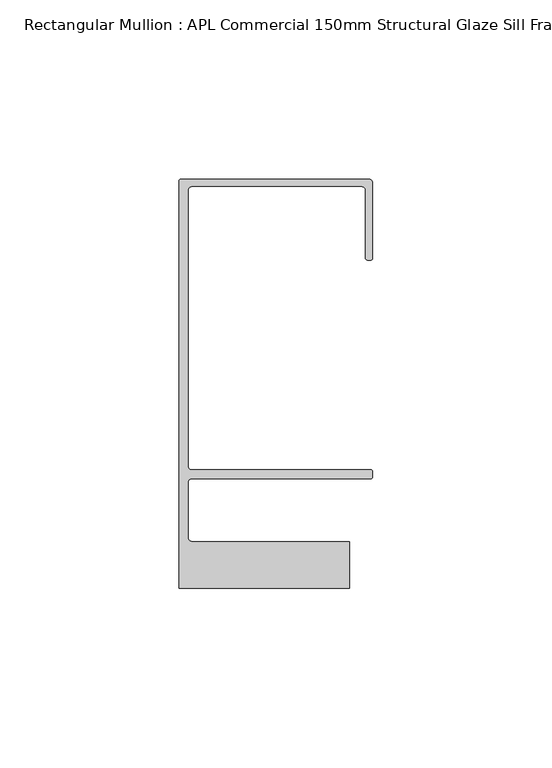
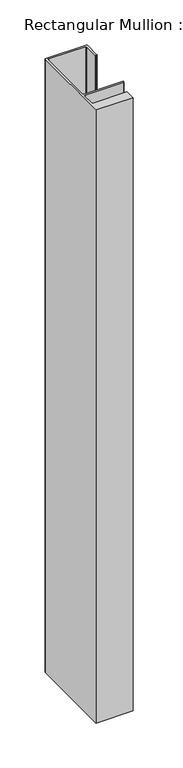
"""IFC4 building model written with IfcOpenShell, lengths in millimetres: member geometry, Rectangular Mullion : APL Commercial 150mm Structural Glaze Sill Frame (Back)."""

import ifcopenshell
import ifcopenshell.guid

model = None  # the IFC model being written
_history = None  # IfcOwnerHistory: only IFC2X3 demands one
_inside = {}  # id of a spatial element -> (the spatial element, [elements in it])
_under = {}  # id of a project, library or spatial element -> (it, [spatial elements below it])
_declared = {}  # id of a project -> (the project, [libraries it declares])
_typed = {}  # id of a type object -> (the type object, [elements of that type])
_made_of = {}  # id of a material, layer set ... -> (it, [elements and type objects made of it])


def new_model(schema):
    """Start an empty IFC model of exactly this schema.

    Asked for "IFC4X3", IfcOpenShell would pick the latest addendum, in which some entities
    have other attributes; the version numbers below select the first issue.
    IFC2X3 requires an IfcOwnerHistory on every rooted entity: one is made here for all.
    """
    global model, _history
    if schema == "IFC4X3":
        model = ifcopenshell.file(schema_version=(4, 3, 0, 0))
    else:
        model = ifcopenshell.file(schema=schema)
    _inside.clear()
    _under.clear()
    _declared.clear()
    _typed.clear()
    _made_of.clear()
    _history = None
    if model.schema == "IFC2X3":
        org = make("IfcOrganization", Name="unknown")
        user = make(
            "IfcPersonAndOrganization",
            ThePerson=make("IfcPerson", FamilyName="unknown"),
            TheOrganization=org,
        )
        app = make(
            "IfcApplication",
            ApplicationDeveloper=org,
            Version="unknown",
            ApplicationFullName="unknown",
            ApplicationIdentifier="unknown",
        )
        _history = make(
            "IfcOwnerHistory",
            OwningUser=user,
            OwningApplication=app,
            ChangeAction="ADDED",
            CreationDate=0,
        )
    return model


def make(cls, **values):
    """One entity of the class cls with the attributes given. An attribute that is None is left unset."""
    return model.create_entity(
        cls, **{name: value for name, value in values.items() if value is not None}
    )


def rooted(cls, **values):
    """An entity with a GlobalId (a new one), such as an element, a storey or a relation."""
    return make(cls, GlobalId=ifcopenshell.guid.new(), OwnerHistory=_history, **values)


def si_unit(unit_type, name, prefix=None):
    """IfcSIUnit, for example si_unit("LENGTHUNIT", "METRE", prefix="MILLI")."""
    return make("IfcSIUnit", UnitType=unit_type, Prefix=prefix, Name=name)


def assignment(units):
    """IfcUnitAssignment: the units of a project."""
    return None if units is None else make("IfcUnitAssignment", Units=units)


def point(xyz):
    """IfcCartesianPoint."""
    return None if xyz is None else make("IfcCartesianPoint", Coordinates=xyz)


def direction(xyz):
    """IfcDirection."""
    return None if xyz is None else make("IfcDirection", DirectionRatios=xyz)


def frame(location, z_axis=None, x_axis=None):
    """IfcAxis2Placement3D, a coordinate frame: its origin and axes. An axis left out is left unset."""
    return make(
        "IfcAxis2Placement3D",
        Location=point(location),
        Axis=direction(z_axis),
        RefDirection=direction(x_axis),
    )


def origin():
    """The frame at (0, 0, 0) with its axes left unset."""
    return frame((0.0, 0.0, 0.0))


def place(relative_to, where):
    """IfcLocalPlacement: puts the frame where relative to a parent placement (None: the world)."""
    return make(
        "IfcLocalPlacement", PlacementRelTo=relative_to, RelativePlacement=where
    )


def context(
    kind, dimensions, precision=None, world=None, true_north=None, identifier=None
):
    """IfcGeometricRepresentationContext, for example the 3D "Model" context."""
    return make(
        "IfcGeometricRepresentationContext",
        ContextIdentifier=identifier,
        ContextType=kind,
        CoordinateSpaceDimension=dimensions,
        Precision=precision,
        WorldCoordinateSystem=world,
        TrueNorth=true_north,
    )


def project(units=None, contexts=None):
    """IfcProject with its units and contexts."""
    return rooted(
        "IfcProject",
        Name="project",
        RepresentationContexts=contexts,
        UnitsInContext=assignment(units),
    )


def spatial(cls, under=None, at=None, **own):
    """A site, building, storey or space (cls), placed at a placement, below another one or the project."""
    s = rooted(cls, ObjectPlacement=at, **own)
    if under is not None:
        _under.setdefault(under.id(), (under, []))[1].append(s)
    return s


def polyline(points):
    """IfcPolyline through the points."""
    return make("IfcPolyline", Points=[point(p) for p in points])


def circle_curve(where, radius):
    """IfcCircle in the frame where."""
    return make("IfcCircle", Position=where, Radius=radius)


def shape(context_of_items, identifier, shape_type, items):
    """IfcShapeRepresentation: the items that make up one representation, for example the "Body"."""
    return make(
        "IfcShapeRepresentation",
        ContextOfItems=context_of_items,
        RepresentationIdentifier=identifier,
        RepresentationType=shape_type,
        Items=items,
    )


def source(mapping_origin, context_of_items, identifier, shape_type, items):
    """IfcRepresentationMap: a shape defined once, which mapped items show again and again."""
    return make(
        "IfcRepresentationMap",
        MappingOrigin=mapping_origin,
        MappedRepresentation=shape(context_of_items, identifier, shape_type, items),
    )


def transform(
    local_origin,
    x_axis=None,
    y_axis=None,
    z_axis=None,
    scale=None,
    scale2=None,
    scale3=None,
    uniform=True,
):
    """IfcCartesianTransformationOperator3D, or its non-uniform kind. x_axis, y_axis, z_axis: its Axis1, 2, 3."""
    if uniform:
        return make(
            "IfcCartesianTransformationOperator3D",
            Axis1=direction(x_axis),
            Axis2=direction(y_axis),
            LocalOrigin=point(local_origin),
            Scale=scale,
            Axis3=direction(z_axis),
        )
    return make(
        "IfcCartesianTransformationOperator3DnonUniform",
        Axis1=direction(x_axis),
        Axis2=direction(y_axis),
        LocalOrigin=point(local_origin),
        Scale=scale,
        Axis3=direction(z_axis),
        Scale2=scale2,
        Scale3=scale3,
    )


def mapped(mapping_source, mapping_target):
    """IfcMappedItem: shows the shape of a source again, moved by a transform."""
    return make(
        "IfcMappedItem", MappingSource=mapping_source, MappingTarget=mapping_target
    )


def made_of(thing, what):
    """Note that an element or type object is made of a material, layer set ...; save() writes the relation."""
    if what is not None:
        _made_of.setdefault(what.id(), (what, []))[1].append(thing)
    return thing


def element(
    cls,
    number,
    at=None,
    inside=None,
    cuts=None,
    type_object=None,
    material=None,
    context=None,
    identifier="Body",
    shape_type=None,
    held_by="IfcProductDefinitionShape",
    body=None,
    shapes=None,
    **own,
):
    """One element of the class cls, such as IfcWall. Its Tag is "e" and its number.

    at: its placement. inside: the storey or other place that contains it. cuts: it is an
    opening in that element (IfcRelVoidsElement). A single representation is given by context,
    identifier, shape_type and body (its items); several are given by shapes. held_by: the class
    of the entity that holds the representations. save() writes the other relations.
    """
    e = rooted(cls, Tag="e%d" % number, ObjectPlacement=at, **own)
    if body is not None:
        shapes = [shape(context, identifier, shape_type, body)]
    if shapes is not None:
        e.Representation = make(held_by, Representations=shapes)
    if inside is not None:
        _inside.setdefault(inside.id(), (inside, []))[1].append(e)
    if cuts is not None:
        rooted(
            "IfcRelVoidsElement", RelatingBuildingElement=cuts, RelatedOpeningElement=e
        )
    if type_object is not None:
        _typed.setdefault(type_object.id(), (type_object, []))[1].append(e)
    return made_of(e, material)


def aggregate(whole, parts):
    """IfcRelAggregates: a whole, such as a stair, and the parts it consists of."""
    return rooted("IfcRelAggregates", RelatingObject=whole, RelatedObjects=parts)


def save(model, path):
    """Write the relations noted so far, then the file.

    IfcRelAggregates (storeys below a building ...), IfcRelContainedInSpatialStructure (elements
    in a storey), IfcRelDefinesByType, IfcRelAssociatesMaterial and IfcRelDeclares: one each for
    every whole, place, type object, material and project.
    """
    for whole, parts in _under.values():
        aggregate(whole, parts)
    for where, things in _inside.values():
        rooted(
            "IfcRelContainedInSpatialStructure",
            RelatedElements=things,
            RelatingStructure=where,
        )
    for kind, things in _typed.values():
        rooted("IfcRelDefinesByType", RelatedObjects=things, RelatingType=kind)
    for what, things in _made_of.values():
        rooted("IfcRelAssociatesMaterial", RelatedObjects=things, RelatingMaterial=what)
    for by, libraries in _declared.values():
        rooted("IfcRelDeclares", RelatingContext=by, RelatedDefinitions=libraries)
    model.write(path)


def plane_surface(at):
    """IfcPlane: the flat surface through the origin of the frame at, square to its z axis."""
    return make("IfcPlane", Position=at)


def cylinder_surface(at, radius):
    """IfcCylindricalSurface: all points at the distance radius from the z axis of the frame at."""
    return make("IfcCylindricalSurface", Position=at, Radius=radius)


def revolved_surface(curve, axis_point, axis_direction):
    """IfcSurfaceOfRevolution: the curve turned about the line through axis_point along axis_direction."""
    return make(
        "IfcSurfaceOfRevolution",
        SweptCurve=make("IfcArbitraryOpenProfileDef", ProfileType="CURVE", Curve=curve),
        AxisPosition=make("IfcAxis1Placement", Location=point(axis_point), Axis=direction(axis_direction)),
    )


def advanced_brep(points, edges, surfaces, faces):
    """IfcAdvancedBrep: a solid bounded by faces that lie on surfaces and meet in shared edges.

    An edge is (start, end): straight between two places in points (the first is 0);
    or (start, end, curve); or (start, end, curve, False) where it runs against its curve.
    A face is (place in surfaces, loops), or (place, loops, False) where it looks against
    its surface's normal. A loop lists edges by number (the first is 1), with a minus sign
    where the edge is run from its end to its start. The first loop is the outer one.
    """
    corners = [point(p) for p in points]
    vertices = [make("IfcVertexPoint", VertexGeometry=c) for c in corners]
    made = []
    for start, end, *more in edges:
        made.append(
            make(
                "IfcEdgeCurve",
                EdgeStart=vertices[start],
                EdgeEnd=vertices[end],
                EdgeGeometry=more[0] if more else make("IfcPolyline", Points=[corners[start], corners[end]]),
                SameSense=more[1] if len(more) > 1 else True,
            )
        )
    hull = []
    for where, loops, *sense in faces:
        bounds = []
        for j, loop in enumerate(loops):
            ring = [make("IfcOrientedEdge", EdgeElement=made[abs(k) - 1], Orientation=k > 0) for k in loop]
            bounds.append(
                make(
                    "IfcFaceOuterBound" if j == 0 else "IfcFaceBound",
                    Bound=make("IfcEdgeLoop", EdgeList=ring),
                    Orientation=True,
                )
            )
        hull.append(make("IfcAdvancedFace", Bounds=bounds, FaceSurface=surfaces[where], SameSense=sense[0] if sense else True))
    return make("IfcAdvancedBrep", Outer=make("IfcClosedShell", CfsFaces=hull))


def rectangular_mullion_apl_commercial_150mm_structural_glaze_b982ec06(model_context):
    return source(origin(), model_context, "Body", "AdvancedBrep", [
        advanced_brep(
        [(-53.5000083, 129.0001071, 0.0), (-54.0000083, 128.5001071, 0.0), (-54.0000083, 15.0004332, 0.0), (-6.5000083, 15.0004332, 0.0), (-6.5000083, 28.0004332, 0.0), (-50.500032, 28.0004332, 0.0), (-51.500032, 29.0004332, 0.0), (-51.500032, 44.4999541, 0.0), (-50.500032, 45.4999541, 0.0), (-0.521387, 45.4999541, 0.0), (-5.4e-06, 46.0213357, 0.0), (-5.4e-06, 47.5021598, 0.0), (-0.5000012, 48.000115, 0.0), (-50.482081, 48.000115, 0.0), (-51.5000225, 48.9999541, 0.0), (-51.5000225, 126.00011, 0.0), (-50.5000083, 127.00011, 0.0), (-2.9999982, 127.00011, 0.0), (-1.9999982, 126.0001071, 0.0), (-1.9999982, 107.0001071, 0.0), (-1.4999822, 106.5001071, 0.0), (-0.5, 106.5001071, 0.0), (0.0, 107.0001071, 0.0), (0.0, 128.0001071, 0.0), (-1.0000079, 129.0001071, 0.0), (-53.5000083, 129.0001071, -831.6848401), (-1.0000079, 129.0001071, -831.6848401), (-7.9e-06, 128.0001071, -831.6848401), (0.0, 107.0001071, -831.6848401), (-0.5, 106.5001071, -831.6848401), (-1.4999822, 106.5001071, -831.6848401), (-1.9999822, 107.0001071, -831.6848401), (-1.9999982, 126.0001071, -831.6848401), (-2.9999982, 127.0001071, -831.6848401), (-50.5000083, 127.00011, -831.6848401), (-51.5000083, 126.00011, -831.6848401), (-51.5000225, 48.9999541, -831.6848401), (-50.482081, 48.000115, -831.6848401), (-0.5000012, 48.000115, -831.6848401), (-5.4e-06, 47.5021598, -831.6848401), (-5.4e-06, 46.0213357, -831.6848401), (-0.521387, 45.4999541, -831.6848401), (-50.500032, 45.4999541, -831.6848401), (-51.500032, 44.4999541, -831.6848401), (-51.500032, 29.0004332, -831.6848401), (-50.500032, 28.0004332, -831.6848401), (-6.5000083, 28.0004332, -831.6848401), (-6.5000083, 15.0004332, -831.6848401), (-54.0000083, 15.0004332, -831.6848401), (-54.0000083, 128.5001071, -831.6848401)],
        [
            (0, 1, circle_curve(frame((-53.5000083, 128.5001071, 0.0), z_axis=(0.0, 0.0, 1.0), x_axis=(0.0, 1.0, 0.0)), 0.5)),
            (1, 2),
            (2, 3),
            (3, 4),
            (4, 5),
            (5, 6, circle_curve(frame((-50.500032, 29.0004332, 0.0), z_axis=(0.0, 0.0, -1.0), x_axis=(0.0, -1.0, 0.0)), 1.0)),
            (6, 7),
            (7, 8, circle_curve(frame((-50.500032, 44.4999541, 0.0), z_axis=(0.0, 0.0, -1.0), x_axis=(-0.9999999999998819, 4.863123717036027e-07, 0.0)), 1.0)),
            (8, 9),
            (9, 10, circle_curve(frame((-0.521387, 46.0213357, 0.0), z_axis=(0.0, 0.0, 1.0), x_axis=(-1.0, 0.0, 0.0)), 0.5213816)),
            (10, 11),
            (11, 12, circle_curve(frame((-0.5000012, 47.500115, 0.0), z_axis=(0.0, 0.0, 1.0), x_axis=(0.9999999999999991, -4.5120271963110614e-08, 0.0)), 0.5)),
            (12, 13),
            (13, 14, circle_curve(frame((-50.5000225, 48.9999541, 0.0), z_axis=(0.0, 0.0, -1.0), x_axis=(3.5344775231070867e-06, -0.9999999999937538, 0.0)), 1.0)),
            (14, 15),
            (15, 16, circle_curve(frame((-50.5000083, 126.00011, 0.0), z_axis=(0.0, 0.0, -1.0), x_axis=(-1.0, 3.636202450239078e-12, 0.0)), 1.0)),
            (16, 17),
            (17, 18, circle_curve(frame((-2.9999982, 126.0001071, 0.0), z_axis=(0.0, 0.0, -1.0), x_axis=(0.0, 1.0, 0.0)), 1.0)),
            (18, 19),
            (19, 20, circle_curve(frame((-1.4999822, 107.0001071, 0.0), z_axis=(0.0, 0.0, 1.0), x_axis=(-1.0, -1.039279773351609e-08, 0.0)), 0.5)),
            (20, 21),
            (21, 22, circle_curve(frame((-0.5, 107.0001071, 0.0), z_axis=(0.0, 0.0, 1.0), x_axis=(0.0, -1.0, 0.0)), 0.5)),
            (22, 23),
            (23, 24, circle_curve(frame((-1.0000079, 128.0001071, 0.0), z_axis=(0.0, 0.0, 1.0), x_axis=(0.9999999999996143, 8.78371761103865e-07, 0.0)), 1.0)),
            (24, 0),
            (25, 26),
            (26, 27, circle_curve(frame((-1.0000079, 128.0001071, -831.6848401), z_axis=(0.0, 0.0, -1.0), x_axis=(0.9999999999996143, 8.78371761103865e-07, 0.0)), 1.0)),
            (27, 28),
            (28, 29, circle_curve(frame((-0.5, 107.0001071, -831.6848401), z_axis=(0.0, 0.0, -1.0), x_axis=(0.0, -1.0, 0.0)), 0.5)),
            (29, 30),
            (30, 31, circle_curve(frame((-1.4999822, 107.0001071, -831.6848401), z_axis=(0.0, 0.0, -1.0), x_axis=(-1.0, -1.039279773351609e-08, 0.0)), 0.5)),
            (31, 32),
            (32, 33, circle_curve(frame((-2.9999982, 126.0001071, -831.6848401), z_axis=(0.0, 0.0, 1.0), x_axis=(0.0, 1.0, 0.0)), 1.0)),
            (33, 34),
            (34, 35, circle_curve(frame((-50.5000083, 126.00011, -831.6848401), z_axis=(0.0, 0.0, 1.0), x_axis=(-1.0, 3.636202450239078e-12, 0.0)), 1.0)),
            (35, 36),
            (36, 37, circle_curve(frame((-50.5000225, 48.9999541, -831.6848401), z_axis=(0.0, 0.0, 1.0), x_axis=(3.5344775231070867e-06, -0.9999999999937538, 0.0)), 1.0)),
            (37, 38),
            (38, 39, circle_curve(frame((-0.5000012, 47.500115, -831.6848401), z_axis=(0.0, 0.0, -1.0), x_axis=(0.9999999999999991, -4.5120271963110614e-08, 0.0)), 0.5)),
            (39, 40),
            (40, 41, circle_curve(frame((-0.521387, 46.0213357, -831.6848401), z_axis=(0.0, 0.0, -1.0), x_axis=(-1.0, 0.0, 0.0)), 0.5213816)),
            (41, 42),
            (42, 43, circle_curve(frame((-50.500032, 44.4999541, -831.6848401), z_axis=(0.0, 0.0, 1.0), x_axis=(-0.9999999999998819, 4.863123717036027e-07, 0.0)), 1.0)),
            (43, 44),
            (44, 45, circle_curve(frame((-50.500032, 29.0004332, -831.6848401), z_axis=(0.0, 0.0, 1.0), x_axis=(0.0, -1.0, 0.0)), 1.0)),
            (45, 46),
            (46, 47),
            (47, 48),
            (48, 49),
            (49, 25, circle_curve(frame((-53.5000083, 128.5001071, -831.6848401), z_axis=(0.0, 0.0, -1.0), x_axis=(0.0, 1.0, 0.0)), 0.5)),
            (0, 25),
            (49, 1),
            (48, 2),
            (47, 3),
            (46, 4),
            (45, 5),
            (44, 6),
            (43, 7),
            (42, 8),
            (41, 9),
            (40, 10),
            (39, 11),
            (38, 12),
            (37, 13),
            (36, 14),
            (35, 15),
            (34, 16),
            (33, 17),
            (32, 18),
            (31, 19),
            (30, 20),
            (29, 21),
            (28, 22),
            (27, 23),
            (26, 24),
        ],
        [
            plane_surface(frame((0.0, -139.6548314, 0.0), z_axis=(0.0, 0.0, 1.0), x_axis=(-1.0, 0.0, 0.0))),
            plane_surface(frame((0.0, -139.6548314, -831.6848401), z_axis=(0.0, 0.0, -1.0), x_axis=(-1.0, 0.0, 0.0))),
            cylinder_surface(frame((-53.5000083, 128.5001071, 0.0), z_axis=(0.0, 0.0, 1.0), x_axis=(0.0, 1.0, 0.0)), 0.5),
            plane_surface(frame((-54.0000083, 128.5001071, 0.0), z_axis=(-1.0, 0.0, 0.0), x_axis=(0.0, 0.0, -1.0))),
            plane_surface(frame((-54.0000083, 15.0004332, 0.0), z_axis=(0.0, -1.0, 0.0), x_axis=(0.0, 0.0, -1.0))),
            plane_surface(frame((-6.5000083, 15.0004332, 0.0), z_axis=(1.0, 0.0, 0.0), x_axis=(0.0, 0.0, -1.0))),
            plane_surface(frame((-6.5000083, 28.0004332, 0.0), z_axis=(0.0, 1.0, 0.0), x_axis=(0.0, 0.0, -1.0))),
            revolved_surface(polyline([(-50.500032, 28.0004332, -831.6848401), (-50.500032, 28.0004332, 0.0)]), (-50.500032, 29.0004332, 0.0), (0.0, 0.0, -1.0)),
            plane_surface(frame((-51.500032, 29.0004332, 0.0), z_axis=(1.0, 0.0, 0.0), x_axis=(0.0, 0.0, -1.0))),
            revolved_surface(polyline([(-51.50003199999988, 44.49995458631237, -831.6848401000004), (-51.50003199999988, 44.49995458631237, 0.0)]), (-50.500032, 44.4999541, 0.0), (0.0, 0.0, -1.0000000000000002)),
            plane_surface(frame((-50.500032, 45.4999541, 0.0), z_axis=(0.0, -1.0, 0.0), x_axis=(0.0, 0.0, -1.0))),
            cylinder_surface(frame((-0.521387, 46.0213357, 0.0), z_axis=(0.0, 0.0, 1.0), x_axis=(-1.0, 0.0, 0.0)), 0.5213816),
            plane_surface(frame((-5.4e-06, 46.0213357, 0.0), z_axis=(1.0, 0.0, 0.0), x_axis=(0.0, 0.0, -1.0))),
            cylinder_surface(frame((-0.5000012, 47.500115, 0.0), z_axis=(0.0, 0.0, 1.0000000000000002), x_axis=(0.9999999999999991, -4.5120271963110614e-08, 0.0)), 0.5),
            plane_surface(frame((-0.5000012, 48.000115, 0.0), z_axis=(0.0, 1.0, 0.0), x_axis=(0.0, 0.0, -1.0))),
            revolved_surface(polyline([(-50.50001896552248, 47.99995410000624, -831.6848401), (-50.50001896552248, 47.99995410000624, 0.0)]), (-50.5000225, 48.9999541, 0.0), (0.0, 0.0, -1.0)),
            plane_surface(frame((-51.5000225, 48.9999541, 0.0), z_axis=(1.0, 0.0, 0.0), x_axis=(0.0, 0.0, -1.0))),
            revolved_surface(polyline([(-51.5000083, 126.00011000000364, -831.6848401), (-51.5000083, 126.00011000000364, 0.0)]), (-50.5000083, 126.00011, 0.0), (0.0, 0.0, -1.0)),
            plane_surface(frame((-50.5000083, 127.00011, 0.0), z_axis=(0.0, -1.0, 0.0), x_axis=(0.0, 0.0, -1.0))),
            revolved_surface(polyline([(-2.9999982, 127.0001071, -831.6848401), (-2.9999982, 127.0001071, 0.0)]), (-2.9999982, 126.0001071, 0.0), (0.0, 0.0, -1.0)),
            plane_surface(frame((-1.9999982, 126.0001071, 0.0), z_axis=(-1.0, 0.0, 0.0), x_axis=(0.0, 0.0, -1.0))),
            cylinder_surface(frame((-1.4999822, 107.0001071, 0.0), z_axis=(0.0, 0.0, 1.0), x_axis=(-1.0, -1.039279773351609e-08, 0.0)), 0.5),
            plane_surface(frame((-1.4999822, 106.5001071, 0.0), z_axis=(0.0, -1.0, 0.0), x_axis=(0.0, 0.0, -1.0))),
            cylinder_surface(frame((-0.5, 107.0001071, 0.0), z_axis=(0.0, 0.0, 1.0), x_axis=(0.0, -1.0, 0.0)), 0.5),
            plane_surface(frame((0.0, 107.0001071, 0.0), z_axis=(1.0, 0.0, 0.0), x_axis=(0.0, 0.0, -1.0))),
            cylinder_surface(frame((-1.0000079, 128.0001071, 0.0), z_axis=(0.0, 0.0, 1.0000000000000002), x_axis=(0.9999999999996143, 8.78371761103865e-07, 0.0)), 1.0),
            plane_surface(frame((-1.0000079, 129.0001071, 0.0), z_axis=(0.0, 1.0, 0.0), x_axis=(0.0, 0.0, -1.0))),
        ],
        [
            (0, [[1, 2, 3, 4, 5, 6, 7, 8, 9, 10, 11, 12, 13, 14, 15, 16, 17, 18, 19, 20, 21, 22, 23, 24, 25]]),
            (1, [[26, 27, 28, 29, 30, 31, 32, 33, 34, 35, 36, 37, 38, 39, 40, 41, 42, 43, 44, 45, 46, 47, 48, 49, 50]]),
            (2, [[-1, 51, -50, 52]]),
            (3, [[-2, -52, -49, 53]]),
            (4, [[-3, -53, -48, 54]]),
            (5, [[-4, -54, -47, 55]]),
            (6, [[-5, -55, -46, 56]]),
            (7, [[-6, -56, -45, 57]]),
            (8, [[-7, -57, -44, 58]]),
            (9, [[-8, -58, -43, 59]]),
            (10, [[-9, -59, -42, 60]]),
            (11, [[-10, -60, -41, 61]]),
            (12, [[-11, -61, -40, 62]]),
            (13, [[-12, -62, -39, 63]]),
            (14, [[-13, -63, -38, 64]]),
            (15, [[-14, -64, -37, 65]]),
            (16, [[-15, -65, -36, 66]]),
            (17, [[-16, -66, -35, 67]]),
            (18, [[-17, -67, -34, 68]]),
            (19, [[-18, -68, -33, 69]]),
            (20, [[-19, -69, -32, 70]]),
            (21, [[-20, -70, -31, 71]]),
            (22, [[-21, -71, -30, 72]]),
            (23, [[-22, -72, -29, 73]]),
            (24, [[-23, -73, -28, 74]]),
            (25, [[-24, -74, -27, 75]]),
            (26, [[-25, -75, -26, -51]]),
        ],
    ),
    ])


if __name__ == "__main__":
    model = new_model("IFC4")
    model_context = context("Model", 3, world=origin())
    ifc_project = project(units=[si_unit("LENGTHUNIT", "METRE", prefix="MILLI")], contexts=[model_context])
    site = spatial("IfcSite", under=ifc_project)
    building = spatial("IfcBuilding", under=site)
    placement = place(None, origin())
    rectangular_mullion_apl_commercial_150mm_structural_glaze_shape = rectangular_mullion_apl_commercial_150mm_structural_glaze_b982ec06(model_context)
    element("IfcMember", 1, ObjectType="Rectangular Mullion : APL Commercial 150mm Structural Glaze Sill Frame (Back)", at=placement, inside=building, context=model_context, shape_type="MappedRepresentation", body=[
        mapped(rectangular_mullion_apl_commercial_150mm_structural_glaze_shape, transform((0.0, 0.0, 0.0), x_axis=(1.0, 0.0, 0.0), y_axis=(0.0, 1.0, 0.0), z_axis=(0.0, 0.0, 1.0))),
    ])
    save(model, "model.ifc")
